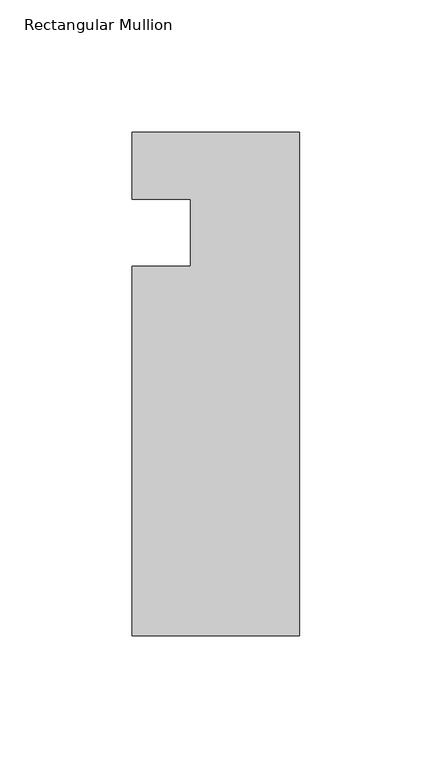
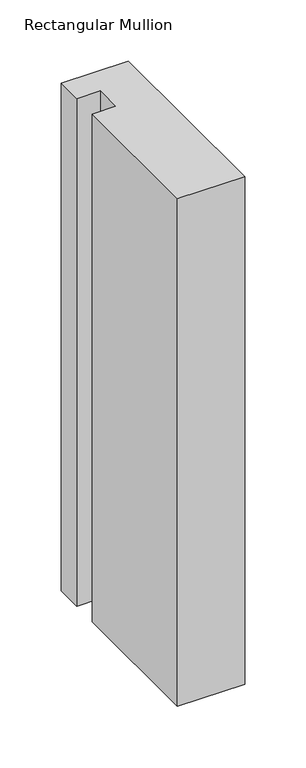
"""IFC4 building model written with IfcOpenShell, lengths in millimetres: member geometry, Rectangular Mullion."""

from ifc_helpers import new_model, si_unit, frame, origin, place, context, project, spatial, polyline, outline, extrude, source, transform, mapped, element, save


def rectangular_mullion_1058986c(model_context):
    return source(origin(), model_context, "Body", "SweptSolid", [
        extrude(outline(polyline([(0.0, -152.399995), (-63.5, -152.399995), (-63.5, -12.7), (-41.2751132, -12.7), (-41.2751132, 12.7), (-63.5, 12.7), (-63.5, 38.1), (0.0, 38.1), (0.0, -152.399995)])), frame((0.0, 0.0, -507.51022), z_axis=(0.0, 0.0, 1.0), x_axis=(1.0, 0.0, 0.0)), (0.0, 0.0, 1.0), 507.51022),
    ])


if __name__ == "__main__":
    model = new_model("IFC4")
    model_context = context("Model", 3, world=origin())
    ifc_project = project(units=[si_unit("LENGTHUNIT", "METRE", prefix="MILLI")], contexts=[model_context])
    site = spatial("IfcSite", under=ifc_project)
    building = spatial("IfcBuilding", under=site)
    placement = place(None, origin())
    rectangular_mullion_shape = rectangular_mullion_1058986c(model_context)
    element("IfcMember", 1, ObjectType="Rectangular Mullion", at=placement, inside=building, context=model_context, shape_type="MappedRepresentation", body=[
        mapped(rectangular_mullion_shape, transform((0.0, 0.0, 0.0), x_axis=(1.0, 0.0, 0.0), y_axis=(0.0, 1.0, 0.0), z_axis=(0.0, 0.0, 1.0))),
    ])
    save(model, "model.ifc")
